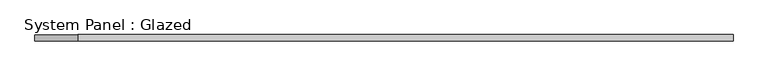
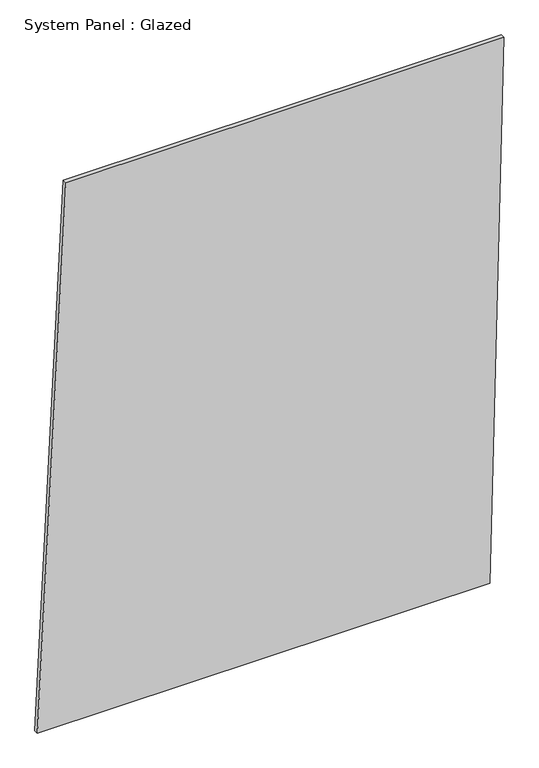
"""IFC4 building model written with IfcOpenShell, lengths in millimetres: plate geometry, System Panel : Glazed."""

import ifcopenshell
import ifcopenshell.guid

model = None  # the IFC model being written
_history = None  # IfcOwnerHistory: only IFC2X3 demands one
_inside = {}  # id of a spatial element -> (the spatial element, [elements in it])
_under = {}  # id of a project, library or spatial element -> (it, [spatial elements below it])
_declared = {}  # id of a project -> (the project, [libraries it declares])
_typed = {}  # id of a type object -> (the type object, [elements of that type])
_made_of = {}  # id of a material, layer set ... -> (it, [elements and type objects made of it])


def new_model(schema):
    """Start an empty IFC model of exactly this schema.

    Asked for "IFC4X3", IfcOpenShell would pick the latest addendum, in which some entities
    have other attributes; the version numbers below select the first issue.
    IFC2X3 requires an IfcOwnerHistory on every rooted entity: one is made here for all.
    """
    global model, _history
    if schema == "IFC4X3":
        model = ifcopenshell.file(schema_version=(4, 3, 0, 0))
    else:
        model = ifcopenshell.file(schema=schema)
    _inside.clear()
    _under.clear()
    _declared.clear()
    _typed.clear()
    _made_of.clear()
    _history = None
    if model.schema == "IFC2X3":
        org = make("IfcOrganization", Name="unknown")
        user = make(
            "IfcPersonAndOrganization",
            ThePerson=make("IfcPerson", FamilyName="unknown"),
            TheOrganization=org,
        )
        app = make(
            "IfcApplication",
            ApplicationDeveloper=org,
            Version="unknown",
            ApplicationFullName="unknown",
            ApplicationIdentifier="unknown",
        )
        _history = make(
            "IfcOwnerHistory",
            OwningUser=user,
            OwningApplication=app,
            ChangeAction="ADDED",
            CreationDate=0,
        )
    return model


def make(cls, **values):
    """One entity of the class cls with the attributes given. An attribute that is None is left unset."""
    return model.create_entity(
        cls, **{name: value for name, value in values.items() if value is not None}
    )


def rooted(cls, **values):
    """An entity with a GlobalId (a new one), such as an element, a storey or a relation."""
    return make(cls, GlobalId=ifcopenshell.guid.new(), OwnerHistory=_history, **values)


def si_unit(unit_type, name, prefix=None):
    """IfcSIUnit, for example si_unit("LENGTHUNIT", "METRE", prefix="MILLI")."""
    return make("IfcSIUnit", UnitType=unit_type, Prefix=prefix, Name=name)


def assignment(units):
    """IfcUnitAssignment: the units of a project."""
    return None if units is None else make("IfcUnitAssignment", Units=units)


def point(xyz):
    """IfcCartesianPoint."""
    return None if xyz is None else make("IfcCartesianPoint", Coordinates=xyz)


def direction(xyz):
    """IfcDirection."""
    return None if xyz is None else make("IfcDirection", DirectionRatios=xyz)


def frame(location, z_axis=None, x_axis=None):
    """IfcAxis2Placement3D, a coordinate frame: its origin and axes. An axis left out is left unset."""
    return make(
        "IfcAxis2Placement3D",
        Location=point(location),
        Axis=direction(z_axis),
        RefDirection=direction(x_axis),
    )


def origin():
    """The frame at (0, 0, 0) with its axes left unset."""
    return frame((0.0, 0.0, 0.0))


def place(relative_to, where):
    """IfcLocalPlacement: puts the frame where relative to a parent placement (None: the world)."""
    return make(
        "IfcLocalPlacement", PlacementRelTo=relative_to, RelativePlacement=where
    )


def context(
    kind, dimensions, precision=None, world=None, true_north=None, identifier=None
):
    """IfcGeometricRepresentationContext, for example the 3D "Model" context."""
    return make(
        "IfcGeometricRepresentationContext",
        ContextIdentifier=identifier,
        ContextType=kind,
        CoordinateSpaceDimension=dimensions,
        Precision=precision,
        WorldCoordinateSystem=world,
        TrueNorth=true_north,
    )


def project(units=None, contexts=None):
    """IfcProject with its units and contexts."""
    return rooted(
        "IfcProject",
        Name="project",
        RepresentationContexts=contexts,
        UnitsInContext=assignment(units),
    )


def spatial(cls, under=None, at=None, **own):
    """A site, building, storey or space (cls), placed at a placement, below another one or the project."""
    s = rooted(cls, ObjectPlacement=at, **own)
    if under is not None:
        _under.setdefault(under.id(), (under, []))[1].append(s)
    return s


def polyline(points):
    """IfcPolyline through the points."""
    return make("IfcPolyline", Points=[point(p) for p in points])


def outline(outer, holes=None, kind="AREA"):
    """IfcArbitraryClosedProfileDef: a profile drawn as a closed curve; with holes, ...WithVoids."""
    if holes is None:
        return make("IfcArbitraryClosedProfileDef", ProfileType=kind, OuterCurve=outer)
    return make(
        "IfcArbitraryProfileDefWithVoids",
        ProfileType=kind,
        OuterCurve=outer,
        InnerCurves=holes,
    )


def extrude(swept, where, along, depth):
    """IfcExtrudedAreaSolid: the profile swept, set in the frame where, extruded along a direction by depth."""
    return make(
        "IfcExtrudedAreaSolid",
        SweptArea=swept,
        Position=where,
        ExtrudedDirection=direction(along),
        Depth=depth,
    )


def shape(context_of_items, identifier, shape_type, items):
    """IfcShapeRepresentation: the items that make up one representation, for example the "Body"."""
    return make(
        "IfcShapeRepresentation",
        ContextOfItems=context_of_items,
        RepresentationIdentifier=identifier,
        RepresentationType=shape_type,
        Items=items,
    )


def source(mapping_origin, context_of_items, identifier, shape_type, items):
    """IfcRepresentationMap: a shape defined once, which mapped items show again and again."""
    return make(
        "IfcRepresentationMap",
        MappingOrigin=mapping_origin,
        MappedRepresentation=shape(context_of_items, identifier, shape_type, items),
    )


def transform(
    local_origin,
    x_axis=None,
    y_axis=None,
    z_axis=None,
    scale=None,
    scale2=None,
    scale3=None,
    uniform=True,
):
    """IfcCartesianTransformationOperator3D, or its non-uniform kind. x_axis, y_axis, z_axis: its Axis1, 2, 3."""
    if uniform:
        return make(
            "IfcCartesianTransformationOperator3D",
            Axis1=direction(x_axis),
            Axis2=direction(y_axis),
            LocalOrigin=point(local_origin),
            Scale=scale,
            Axis3=direction(z_axis),
        )
    return make(
        "IfcCartesianTransformationOperator3DnonUniform",
        Axis1=direction(x_axis),
        Axis2=direction(y_axis),
        LocalOrigin=point(local_origin),
        Scale=scale,
        Axis3=direction(z_axis),
        Scale2=scale2,
        Scale3=scale3,
    )


def mapped(mapping_source, mapping_target):
    """IfcMappedItem: shows the shape of a source again, moved by a transform."""
    return make(
        "IfcMappedItem", MappingSource=mapping_source, MappingTarget=mapping_target
    )


def made_of(thing, what):
    """Note that an element or type object is made of a material, layer set ...; save() writes the relation."""
    if what is not None:
        _made_of.setdefault(what.id(), (what, []))[1].append(thing)
    return thing


def element(
    cls,
    number,
    at=None,
    inside=None,
    cuts=None,
    type_object=None,
    material=None,
    context=None,
    identifier="Body",
    shape_type=None,
    held_by="IfcProductDefinitionShape",
    body=None,
    shapes=None,
    **own,
):
    """One element of the class cls, such as IfcWall. Its Tag is "e" and its number.

    at: its placement. inside: the storey or other place that contains it. cuts: it is an
    opening in that element (IfcRelVoidsElement). A single representation is given by context,
    identifier, shape_type and body (its items); several are given by shapes. held_by: the class
    of the entity that holds the representations. save() writes the other relations.
    """
    e = rooted(cls, Tag="e%d" % number, ObjectPlacement=at, **own)
    if body is not None:
        shapes = [shape(context, identifier, shape_type, body)]
    if shapes is not None:
        e.Representation = make(held_by, Representations=shapes)
    if inside is not None:
        _inside.setdefault(inside.id(), (inside, []))[1].append(e)
    if cuts is not None:
        rooted(
            "IfcRelVoidsElement", RelatingBuildingElement=cuts, RelatedOpeningElement=e
        )
    if type_object is not None:
        _typed.setdefault(type_object.id(), (type_object, []))[1].append(e)
    return made_of(e, material)


def aggregate(whole, parts):
    """IfcRelAggregates: a whole, such as a stair, and the parts it consists of."""
    return rooted("IfcRelAggregates", RelatingObject=whole, RelatedObjects=parts)


def save(model, path):
    """Write the relations noted so far, then the file.

    IfcRelAggregates (storeys below a building ...), IfcRelContainedInSpatialStructure (elements
    in a storey), IfcRelDefinesByType, IfcRelAssociatesMaterial and IfcRelDeclares: one each for
    every whole, place, type object, material and project.
    """
    for whole, parts in _under.values():
        aggregate(whole, parts)
    for where, things in _inside.values():
        rooted(
            "IfcRelContainedInSpatialStructure",
            RelatedElements=things,
            RelatingStructure=where,
        )
    for kind, things in _typed.values():
        rooted("IfcRelDefinesByType", RelatedObjects=things, RelatingType=kind)
    for what, things in _made_of.values():
        rooted("IfcRelAssociatesMaterial", RelatedObjects=things, RelatingMaterial=what)
    for by, libraries in _declared.values():
        rooted("IfcRelDeclares", RelatingContext=by, RelatedDefinitions=libraries)
    model.write(path)


def system_panel_glazed_2db575d6(model_context):
    return source(origin(), model_context, "Body", "SweptSolid", [
        extrude(outline(polyline([(0.0, -1364.0406303), (0.0, 1280.5848932), (3341.5508959, 1364.0406303), (3341.5508959, -1197.129156), (0.0, -1364.0406303)])), frame((0.0, -49.5, 0.0), z_axis=(0.0, 1.0, 0.0), x_axis=(0.0, 0.0, 1.0)), (0.0, 0.0, 1.0), 25.0),
    ])


if __name__ == "__main__":
    model = new_model("IFC4")
    model_context = context("Model", 3, world=origin())
    ifc_project = project(units=[si_unit("LENGTHUNIT", "METRE", prefix="MILLI")], contexts=[model_context])
    site = spatial("IfcSite", under=ifc_project)
    building = spatial("IfcBuilding", under=site)
    placement = place(None, origin())
    system_panel_glazed_shape = system_panel_glazed_2db575d6(model_context)
    element("IfcPlate", 1, ObjectType="System Panel : Glazed", at=placement, inside=building, context=model_context, shape_type="MappedRepresentation", body=[
        mapped(system_panel_glazed_shape, transform((0.0, 0.0, 0.0), x_axis=(1.0, 0.0, 0.0), y_axis=(0.0, 1.0, 0.0), z_axis=(0.0, 0.0, 1.0))),
    ])
    save(model, "model.ifc")
